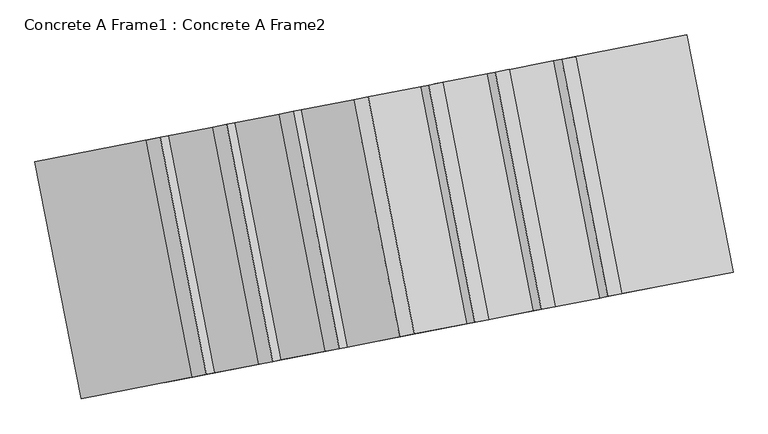
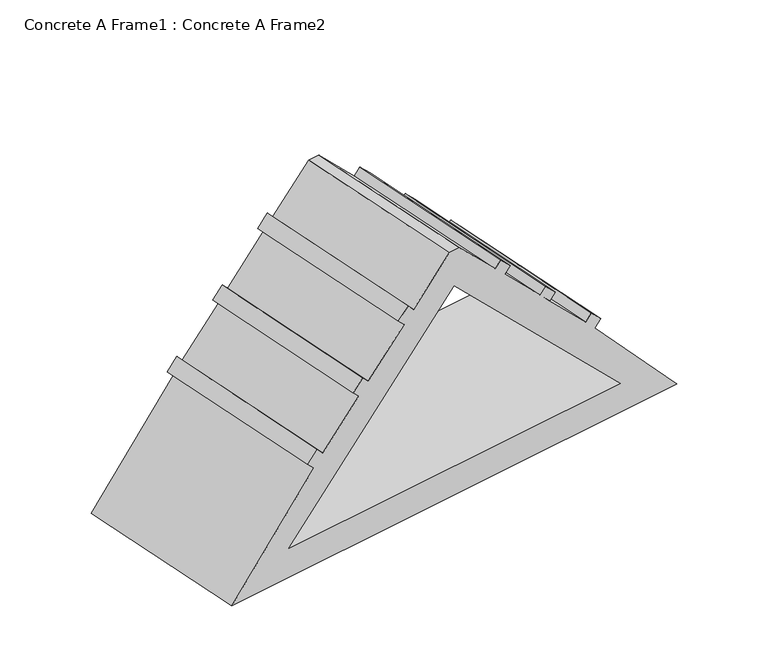
"""IFC4 building model written with IfcOpenShell, lengths in millimetres: proxy geometry, Concrete A Frame1 : Concrete A Frame2."""

from ifc_helpers import new_model, si_unit, frame, origin, place, context, project, spatial, polyline, outline, extrude, source, transform, mapped, element, save


def concrete_a_frame1_concrete_a_frame2_5872ebef(model_context):
    return source(origin(), model_context, "Body", "SweptSolid", [
        extrude(outline(polyline([(3352.8, 0.0), (2734.9173997, -674.0537458), (2779.8186804, -718.9550264), (2707.9766314, -790.7970754), (2666.1989181, -749.0193621), (2396.7912345, -1018.4270457), (2438.5689477, -1060.204759), (2366.7268987, -1132.046808), (2324.9491855, -1090.2690947), (2055.5415018, -1359.6767783), (2097.3192151, -1401.4544916), (2025.4771661, -1473.2965406), (1983.6994528, -1431.5188273), (1714.2917693, -1700.9265109), (1638.5082308, -1700.9265109), (1369.1005472, -1431.5188273), (1327.3228339, -1473.2965406), (1255.4807849, -1401.4544916), (1297.2584982, -1359.6767783), (1027.8508146, -1090.2690947), (986.0731013, -1132.046808), (914.2310523, -1060.204759), (956.0087656, -1018.4270457), (686.6010819, -749.0193621), (644.8233687, -790.7970754), (572.9813198, -718.9550264), (617.8826004, -674.0537458), (0.0, 0.0), (3352.8, 0.0)]), holes=[polyline([(1676.4000001, -1451.4500843), (2924.6500844, -203.2), (428.1499158, -203.2), (1676.4000001, -1451.4500843)])]), frame((146782.9865433, -2742.2452222, 0.0), z_axis=(-0.19080899537651683, 0.9816271834476694, 0.0), x_axis=(0.9816271834476694, 0.19080899537651683, 0.0)), (0.0, 0.0, 1.0), 1219.2),
    ])


if __name__ == "__main__":
    model = new_model("IFC4")
    model_context = context("Model", 3, world=origin())
    ifc_project = project(units=[si_unit("LENGTHUNIT", "METRE", prefix="MILLI")], contexts=[model_context])
    site = spatial("IfcSite", under=ifc_project)
    building = spatial("IfcBuilding", under=site)
    placement = place(None, origin())
    concrete_a_frame1_concrete_a_frame2_shape = concrete_a_frame1_concrete_a_frame2_5872ebef(model_context)
    element("IfcBuildingElementProxy", 1, Name="Concrete A Frame1 : Concrete A Frame2", ObjectType="Concrete A Frame1 : Concrete A Frame2", at=placement, inside=building, context=model_context, shape_type="MappedRepresentation", body=[
        mapped(concrete_a_frame1_concrete_a_frame2_shape, transform((0.0, 0.0, 0.0), x_axis=(1.0, 0.0, 0.0), y_axis=(0.0, 1.0, 0.0), z_axis=(0.0, 0.0, 1.0))),
    ])
    save(model, "model.ifc")
